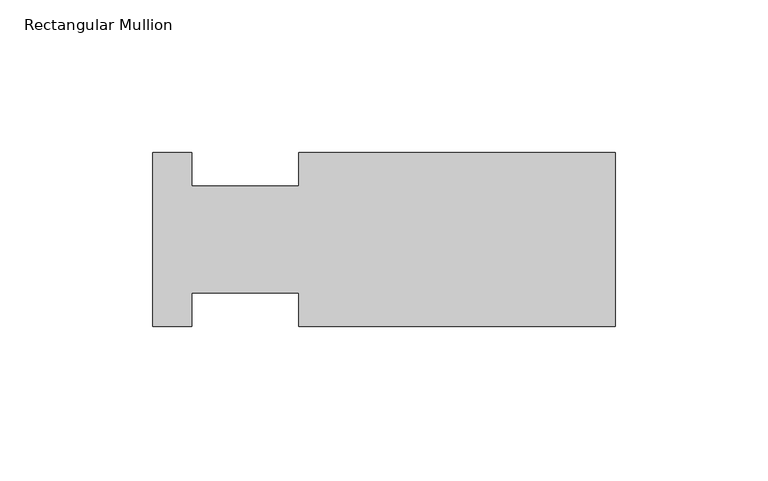
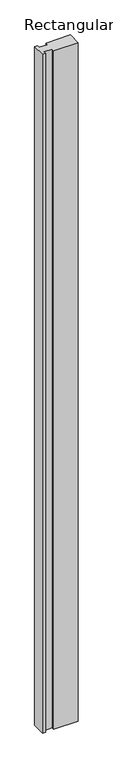
"""IFC4 building model written with IfcOpenShell, lengths in millimetres: member geometry, Rectangular Mullion."""

import ifcopenshell
import ifcopenshell.guid

model = None  # the IFC model being written
_history = None  # IfcOwnerHistory: only IFC2X3 demands one
_inside = {}  # id of a spatial element -> (the spatial element, [elements in it])
_under = {}  # id of a project, library or spatial element -> (it, [spatial elements below it])
_declared = {}  # id of a project -> (the project, [libraries it declares])
_typed = {}  # id of a type object -> (the type object, [elements of that type])
_made_of = {}  # id of a material, layer set ... -> (it, [elements and type objects made of it])


def new_model(schema):
    """Start an empty IFC model of exactly this schema.

    Asked for "IFC4X3", IfcOpenShell would pick the latest addendum, in which some entities
    have other attributes; the version numbers below select the first issue.
    IFC2X3 requires an IfcOwnerHistory on every rooted entity: one is made here for all.
    """
    global model, _history
    if schema == "IFC4X3":
        model = ifcopenshell.file(schema_version=(4, 3, 0, 0))
    else:
        model = ifcopenshell.file(schema=schema)
    _inside.clear()
    _under.clear()
    _declared.clear()
    _typed.clear()
    _made_of.clear()
    _history = None
    if model.schema == "IFC2X3":
        org = make("IfcOrganization", Name="unknown")
        user = make(
            "IfcPersonAndOrganization",
            ThePerson=make("IfcPerson", FamilyName="unknown"),
            TheOrganization=org,
        )
        app = make(
            "IfcApplication",
            ApplicationDeveloper=org,
            Version="unknown",
            ApplicationFullName="unknown",
            ApplicationIdentifier="unknown",
        )
        _history = make(
            "IfcOwnerHistory",
            OwningUser=user,
            OwningApplication=app,
            ChangeAction="ADDED",
            CreationDate=0,
        )
    return model


def make(cls, **values):
    """One entity of the class cls with the attributes given. An attribute that is None is left unset."""
    return model.create_entity(
        cls, **{name: value for name, value in values.items() if value is not None}
    )


def rooted(cls, **values):
    """An entity with a GlobalId (a new one), such as an element, a storey or a relation."""
    return make(cls, GlobalId=ifcopenshell.guid.new(), OwnerHistory=_history, **values)


def si_unit(unit_type, name, prefix=None):
    """IfcSIUnit, for example si_unit("LENGTHUNIT", "METRE", prefix="MILLI")."""
    return make("IfcSIUnit", UnitType=unit_type, Prefix=prefix, Name=name)


def assignment(units):
    """IfcUnitAssignment: the units of a project."""
    return None if units is None else make("IfcUnitAssignment", Units=units)


def point(xyz):
    """IfcCartesianPoint."""
    return None if xyz is None else make("IfcCartesianPoint", Coordinates=xyz)


def direction(xyz):
    """IfcDirection."""
    return None if xyz is None else make("IfcDirection", DirectionRatios=xyz)


def frame(location, z_axis=None, x_axis=None):
    """IfcAxis2Placement3D, a coordinate frame: its origin and axes. An axis left out is left unset."""
    return make(
        "IfcAxis2Placement3D",
        Location=point(location),
        Axis=direction(z_axis),
        RefDirection=direction(x_axis),
    )


def origin():
    """The frame at (0, 0, 0) with its axes left unset."""
    return frame((0.0, 0.0, 0.0))


def place(relative_to, where):
    """IfcLocalPlacement: puts the frame where relative to a parent placement (None: the world)."""
    return make(
        "IfcLocalPlacement", PlacementRelTo=relative_to, RelativePlacement=where
    )


def context(
    kind, dimensions, precision=None, world=None, true_north=None, identifier=None
):
    """IfcGeometricRepresentationContext, for example the 3D "Model" context."""
    return make(
        "IfcGeometricRepresentationContext",
        ContextIdentifier=identifier,
        ContextType=kind,
        CoordinateSpaceDimension=dimensions,
        Precision=precision,
        WorldCoordinateSystem=world,
        TrueNorth=true_north,
    )


def project(units=None, contexts=None):
    """IfcProject with its units and contexts."""
    return rooted(
        "IfcProject",
        Name="project",
        RepresentationContexts=contexts,
        UnitsInContext=assignment(units),
    )


def spatial(cls, under=None, at=None, **own):
    """A site, building, storey or space (cls), placed at a placement, below another one or the project."""
    s = rooted(cls, ObjectPlacement=at, **own)
    if under is not None:
        _under.setdefault(under.id(), (under, []))[1].append(s)
    return s


def polyline(points):
    """IfcPolyline through the points."""
    return make("IfcPolyline", Points=[point(p) for p in points])


def outline(outer, holes=None, kind="AREA"):
    """IfcArbitraryClosedProfileDef: a profile drawn as a closed curve; with holes, ...WithVoids."""
    if holes is None:
        return make("IfcArbitraryClosedProfileDef", ProfileType=kind, OuterCurve=outer)
    return make(
        "IfcArbitraryProfileDefWithVoids",
        ProfileType=kind,
        OuterCurve=outer,
        InnerCurves=holes,
    )


def extrude(swept, where, along, depth):
    """IfcExtrudedAreaSolid: the profile swept, set in the frame where, extruded along a direction by depth."""
    return make(
        "IfcExtrudedAreaSolid",
        SweptArea=swept,
        Position=where,
        ExtrudedDirection=direction(along),
        Depth=depth,
    )


def shape(context_of_items, identifier, shape_type, items):
    """IfcShapeRepresentation: the items that make up one representation, for example the "Body"."""
    return make(
        "IfcShapeRepresentation",
        ContextOfItems=context_of_items,
        RepresentationIdentifier=identifier,
        RepresentationType=shape_type,
        Items=items,
    )


def source(mapping_origin, context_of_items, identifier, shape_type, items):
    """IfcRepresentationMap: a shape defined once, which mapped items show again and again."""
    return make(
        "IfcRepresentationMap",
        MappingOrigin=mapping_origin,
        MappedRepresentation=shape(context_of_items, identifier, shape_type, items),
    )


def transform(
    local_origin,
    x_axis=None,
    y_axis=None,
    z_axis=None,
    scale=None,
    scale2=None,
    scale3=None,
    uniform=True,
):
    """IfcCartesianTransformationOperator3D, or its non-uniform kind. x_axis, y_axis, z_axis: its Axis1, 2, 3."""
    if uniform:
        return make(
            "IfcCartesianTransformationOperator3D",
            Axis1=direction(x_axis),
            Axis2=direction(y_axis),
            LocalOrigin=point(local_origin),
            Scale=scale,
            Axis3=direction(z_axis),
        )
    return make(
        "IfcCartesianTransformationOperator3DnonUniform",
        Axis1=direction(x_axis),
        Axis2=direction(y_axis),
        LocalOrigin=point(local_origin),
        Scale=scale,
        Axis3=direction(z_axis),
        Scale2=scale2,
        Scale3=scale3,
    )


def mapped(mapping_source, mapping_target):
    """IfcMappedItem: shows the shape of a source again, moved by a transform."""
    return make(
        "IfcMappedItem", MappingSource=mapping_source, MappingTarget=mapping_target
    )


def made_of(thing, what):
    """Note that an element or type object is made of a material, layer set ...; save() writes the relation."""
    if what is not None:
        _made_of.setdefault(what.id(), (what, []))[1].append(thing)
    return thing


def element(
    cls,
    number,
    at=None,
    inside=None,
    cuts=None,
    type_object=None,
    material=None,
    context=None,
    identifier="Body",
    shape_type=None,
    held_by="IfcProductDefinitionShape",
    body=None,
    shapes=None,
    **own,
):
    """One element of the class cls, such as IfcWall. Its Tag is "e" and its number.

    at: its placement. inside: the storey or other place that contains it. cuts: it is an
    opening in that element (IfcRelVoidsElement). A single representation is given by context,
    identifier, shape_type and body (its items); several are given by shapes. held_by: the class
    of the entity that holds the representations. save() writes the other relations.
    """
    e = rooted(cls, Tag="e%d" % number, ObjectPlacement=at, **own)
    if body is not None:
        shapes = [shape(context, identifier, shape_type, body)]
    if shapes is not None:
        e.Representation = make(held_by, Representations=shapes)
    if inside is not None:
        _inside.setdefault(inside.id(), (inside, []))[1].append(e)
    if cuts is not None:
        rooted(
            "IfcRelVoidsElement", RelatingBuildingElement=cuts, RelatedOpeningElement=e
        )
    if type_object is not None:
        _typed.setdefault(type_object.id(), (type_object, []))[1].append(e)
    return made_of(e, material)


def aggregate(whole, parts):
    """IfcRelAggregates: a whole, such as a stair, and the parts it consists of."""
    return rooted("IfcRelAggregates", RelatingObject=whole, RelatedObjects=parts)


def save(model, path):
    """Write the relations noted so far, then the file.

    IfcRelAggregates (storeys below a building ...), IfcRelContainedInSpatialStructure (elements
    in a storey), IfcRelDefinesByType, IfcRelAssociatesMaterial and IfcRelDeclares: one each for
    every whole, place, type object, material and project.
    """
    for whole, parts in _under.values():
        aggregate(whole, parts)
    for where, things in _inside.values():
        rooted(
            "IfcRelContainedInSpatialStructure",
            RelatedElements=things,
            RelatingStructure=where,
        )
    for kind, things in _typed.values():
        rooted("IfcRelDefinesByType", RelatedObjects=things, RelatingType=kind)
    for what, things in _made_of.values():
        rooted("IfcRelAssociatesMaterial", RelatedObjects=things, RelatingMaterial=what)
    for by, libraries in _declared.values():
        rooted("IfcRelDeclares", RelatingContext=by, RelatedDefinitions=libraries)
    model.write(path)


def rectangular_mullion_a932f216(model_context):
    return source(origin(), model_context, "Body", "SweptSolid", [
        extrude(outline(polyline([(-151.6888, -29.0155975), (-151.6888, 28.1344025), (-138.8215117, 28.1344025), (-138.8215117, 17.0219025), (-103.8606, 17.0219025), (-103.8606, 28.1344025), (0.0, 28.1344025), (0.0, -29.0155975), (-103.8606, -29.0155975), (-103.8606, -17.9030975), (-138.8215117, -17.9030975), (-138.8215117, -29.0155975), (-151.6888, -29.0155975)])), frame((0.0, 0.0, -3048.0), z_axis=(0.0, 0.0, 1.0), x_axis=(1.0, 0.0, 0.0)), (0.0, 0.0, 1.0), 3048.0),
    ])


if __name__ == "__main__":
    model = new_model("IFC4")
    model_context = context("Model", 3, world=origin())
    ifc_project = project(units=[si_unit("LENGTHUNIT", "METRE", prefix="MILLI")], contexts=[model_context])
    site = spatial("IfcSite", under=ifc_project)
    building = spatial("IfcBuilding", under=site)
    placement = place(None, origin())
    rectangular_mullion_shape = rectangular_mullion_a932f216(model_context)
    element("IfcMember", 1, ObjectType="Rectangular Mullion", at=placement, inside=building, context=model_context, shape_type="MappedRepresentation", body=[
        mapped(rectangular_mullion_shape, transform((0.0, 0.0, 0.0), x_axis=(1.0, 0.0, 0.0), y_axis=(0.0, 1.0, 0.0), z_axis=(0.0, 0.0, 1.0))),
    ])
    save(model, "model.ifc")
